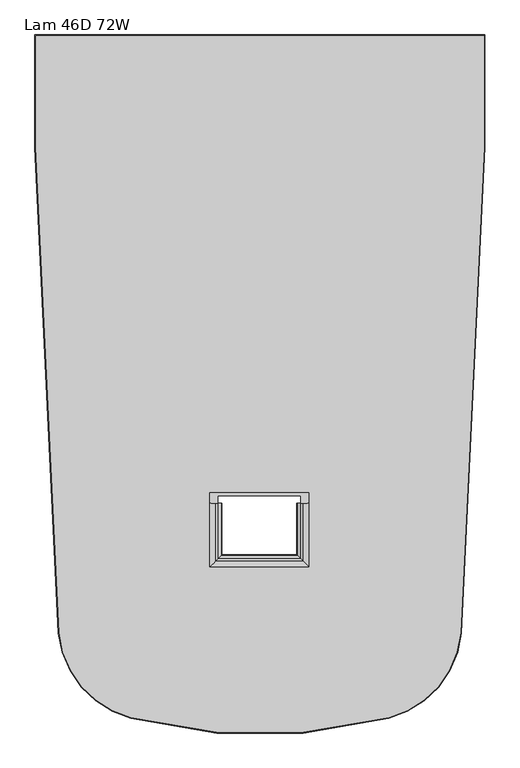
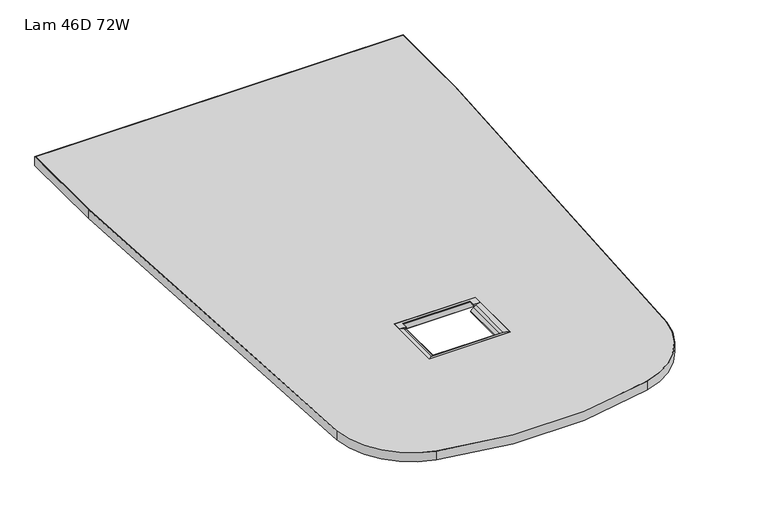
"""IFC4 building model written with IfcOpenShell, lengths in millimetres: furniture geometry, Lam 46D 72W."""

from ifc_helpers import new_model, si_unit, point, frame, frame_2d, origin, place, context, project, spatial, polyline, circle_curve, ellipse_curve, trimmed, segment, composite_curve, outline, extrude, source, transform, mapped, element, save
from ifc_brep_helpers import plane_surface, cylinder_surface, advanced_brep


def lam_46d_72w_70fdb2b8(model_context):
    return source(origin(), model_context, "Body", "SolidModel", [
        extrude(outline(composite_curve([segment(polyline([(1.6002, -318.9525749), (1.6002, -27.0002008), (1173.1498382, -27.0002008), (1173.1498382, -318.9525749)]), True, "CONTINUOUS"), segment(trimmed(circle_curve(frame_2d((-11935.6564961, -318.9525749)), 13108.8063343), [point((1173.1498382, -318.9525749))], [point((1111.7159181, -1586.5789369))], False, "CARTESIAN"), True, "CONTINUOUS"), segment(trimmed(circle_curve(frame_2d((858.9062794, -1562.0170441)), 254.0), [point((1111.7159181, -1586.5789369))], [point((923.5567542, -1807.6515615))], False, "CARTESIAN"), True, "CONTINUOUS"), segment(trimmed(circle_curve(frame_2d((587.3750009, -530.3547899)), 1320.7971888), [point((923.5567542, -1807.6515615))], [point((251.1932938, -1807.6515736))], False, "CARTESIAN"), True, "CONTINUOUS"), segment(trimmed(circle_curve(frame_2d((315.8437597, -1562.0170539)), 254.0), [point((251.1932938, -1807.6515736))], [point((63.034121, -1586.5789469))], False, "CARTESIAN"), True, "CONTINUOUS"), segment(trimmed(circle_curve(frame_2d((13110.4065343, -318.9525749)), 13108.8063343), [point((63.034121, -1586.5789469))], [point((1.6002, -318.9525749))], False, "CARTESIAN"), True, "CONTINUOUS")], self_intersect=False), holes=[polyline([(714.9846285, -1220.6224422), (456.6666023, -1220.6224422), (456.6666023, -1413.9164577), (714.9846285, -1413.9164577), (714.9846285, -1220.6224422)])]), frame((0.0, 0.0, 706.7296091), z_axis=(0.0, 0.0, 1.0), x_axis=(1.0, 0.0, 0.0)), (0.0, 0.0, 1.0), 29.8704151),
        advanced_brep(
        [(470.7201413, -1248.263633, 731.8032967), (477.7078689, -1248.263633, 727.114702), (487.0269874, -1248.263633, 718.3966108), (485.1167915, -1248.263633, 712.6533784), (479.8859922, -1248.263633, 711.1999758), (464.8668578, -1248.263633, 711.1999758), (465.9908152, -1248.263633, 732.1346718), (470.2148374, -1248.263633, 732.1346718), (456.6666023, -1248.263633, 736.6000242), (456.6666023, -1413.9164577, 736.6000242), (470.7201413, -1399.8629188, 731.8032967), (477.7078689, -1392.8751912, 727.114702), (487.0269874, -1383.5560727, 718.3966108), (485.1167915, -1385.4662686, 712.6533784), (479.8859922, -1390.6970678, 711.1999758), (714.9846285, -1413.9164577, 711.1999758), (456.6666023, -1413.9164577, 711.1999758), (456.6666023, -1220.6224422, 711.1999758), (714.9846285, -1220.6224422, 711.1999758), (691.7652386, -1390.6970678, 711.1999758), (691.7652386, -1248.263633, 711.1999758), (706.784373, -1248.263633, 711.1999758), (706.784373, -1225.6827366, 711.1999758), (464.8668578, -1225.6827366, 711.1999758), (456.6666023, -1220.6224422, 736.6000242), (714.9846285, -1413.9164577, 736.6000242), (700.9310895, -1399.8629188, 731.8032967), (693.9433619, -1392.8751912, 727.114702), (684.6242434, -1383.5560727, 718.3966108), (686.5344393, -1385.4662686, 712.6533784), (686.5344393, -1248.263633, 712.6533784), (684.6242434, -1248.263633, 718.3966108), (693.9433619, -1248.263633, 727.114702), (700.9310895, -1248.263633, 731.8032967), (701.4363935, -1248.263633, 732.1346718), (705.6604156, -1248.263633, 732.1346718), (714.9846285, -1248.263633, 736.6000242), (714.9846285, -1220.6224422, 736.6000242), (477.9275699, -1248.263633, 736.6000242), (477.9275699, -1248.263633, 732.1346718), (693.7236609, -1248.263633, 736.6000242), (693.7236609, -1248.263633, 732.1346718), (477.9275699, -1228.2296865, 736.6000242), (693.7236609, -1228.2296865, 736.6000242), (465.9908152, -1226.1764459, 732.1346718), (705.6604156, -1226.1764459, 732.1346718), (693.7236609, -1228.2296865, 732.1346718), (477.9275699, -1228.2296865, 732.1346718)],
        [
            (0, 1),
            (1, 2, circle_curve(frame((455.5454605, -1248.263633, 694.084576), z_axis=(0.0, 1.0, 0.0), x_axis=(1.0, 0.0, 0.0)), 39.7763946)),
            (2, 3, circle_curve(frame((484.140402, -1248.263633, 716.1674062), z_axis=(0.0, 1.0, 0.0), x_axis=(1.0, 0.0, 0.0)), 3.6471534)),
            (3, 4),
            (4, 5),
            (5, 6),
            (6, 7),
            (7, 0, circle_curve(frame((454.7518854, -1248.263633, 708.0047322), z_axis=(0.0, 1.0, 0.0), x_axis=(1.0, 0.0, 0.0)), 28.6593243)),
            (8, 9),
            (9, 10, ellipse_curve(frame((454.7518854, -1415.8311747, 708.0047322), z_axis=(-0.7071067811865475, 0.7071067811865475, 0.0), x_axis=(0.7071067811865474, 0.7071067811865476, 0.0)), 40.5304051, 28.6593243)),
            (10, 0),
            (7, 8, circle_curve(frame((454.7518854, -1248.263633, 708.0047322), z_axis=(0.0, -1.0, 0.0), x_axis=(1.0, 0.0, 0.0)), 28.6593243)),
            (10, 11),
            (11, 1),
            (11, 12, ellipse_curve(frame((455.5454605, -1415.0375996, 694.084576), z_axis=(-0.7071067811865475, 0.7071067811865475, 0.0), x_axis=(0.7071067811865474, 0.7071067811865476, 0.0)), 56.2523168, 39.7763946)),
            (12, 2),
            (12, 13, ellipse_curve(frame((484.140402, -1386.442658, 716.1674062), z_axis=(-0.7071067811865475, 0.7071067811865475, 0.0), x_axis=(0.7071067811865474, 0.7071067811865476, 0.0)), 5.1578538, 3.6471534)),
            (13, 3),
            (13, 14),
            (14, 4),
            (15, 16),
            (16, 17),
            (17, 18),
            (18, 15),
            (14, 19),
            (19, 20),
            (20, 21),
            (21, 22),
            (22, 23),
            (23, 5),
            (8, 24),
            (24, 17),
            (16, 9),
            (9, 25),
            (25, 26, ellipse_curve(frame((716.8993454, -1415.8311747, 708.0047322), z_axis=(-0.7071067811865475, -0.7071067811865475, 0.0), x_axis=(-0.7071067811865476, 0.7071067811865474, 0.0)), 40.5304051, 28.6593243)),
            (26, 10),
            (26, 27),
            (27, 11),
            (27, 28, ellipse_curve(frame((716.1057703, -1415.0375996, 694.084576), z_axis=(-0.7071067811865475, -0.7071067811865475, 0.0), x_axis=(-0.7071067811865476, 0.7071067811865474, 0.0)), 56.2523168, 39.7763946)),
            (28, 12),
            (28, 29, ellipse_curve(frame((687.5108288, -1386.442658, 716.1674062), z_axis=(-0.7071067811865475, -0.7071067811865475, 0.0), x_axis=(-0.7071067811865476, 0.7071067811865474, 0.0)), 5.1578538, 3.6471534)),
            (29, 13),
            (29, 19),
            (15, 25),
            (20, 30),
            (30, 31, circle_curve(frame((687.5108288, -1248.263633, 716.1674062), z_axis=(0.0, 1.0, 0.0), x_axis=(-1.0, 0.0, 0.0)), 3.6471534)),
            (31, 32, circle_curve(frame((716.1057703, -1248.263633, 694.084576), z_axis=(0.0, 1.0, 0.0), x_axis=(-1.0, 0.0, 0.0)), 39.7763946)),
            (32, 33),
            (33, 34, circle_curve(frame((716.8993454, -1248.263633, 708.0047322), z_axis=(0.0, 1.0, 0.0), x_axis=(-1.0, 0.0, 0.0)), 28.6593243)),
            (34, 35),
            (35, 21),
            (25, 36),
            (36, 34, circle_curve(frame((716.8993454, -1248.263633, 708.0047322), z_axis=(0.0, -1.0, 0.0), x_axis=(-1.0, 0.0, 0.0)), 28.6593243)),
            (33, 26),
            (32, 27),
            (31, 28),
            (30, 29),
            (18, 37),
            (37, 36),
            (38, 8),
            (7, 39),
            (39, 38),
            (40, 41),
            (41, 34),
            (36, 40),
            (24, 37),
            (38, 42),
            (42, 43),
            (43, 40),
            (44, 6),
            (23, 44),
            (44, 45),
            (45, 35),
            (41, 46),
            (46, 47),
            (47, 39),
            (47, 42),
            (43, 46),
            (45, 22),
        ],
        [
            plane_surface(frame((456.6666023, -1248.263633, 736.6000242), z_axis=(0.0, 1.0, 0.0), x_axis=(0.0, 0.0, 1.0))),
            cylinder_surface(frame((454.7518854, -1248.263633, 708.0047322), z_axis=(0.0, 1.0, 0.0), x_axis=(1.0, 0.0, 0.0)), 28.6593243),
            plane_surface(frame((470.7201413, -1248.263633, 731.8032967), z_axis=(0.5571748915427094, 0.0, 0.8303951711290054), x_axis=(0.0, -1.0, 0.0))),
            cylinder_surface(frame((455.5454605, -1248.263633, 694.084576), z_axis=(0.0, 1.0, 0.0), x_axis=(1.0, 0.0, 0.0)), 39.7763946),
            cylinder_surface(frame((484.140402, -1248.263633, 716.1674062), z_axis=(0.0, 1.0, 0.0), x_axis=(1.0, 0.0, 0.0)), 3.6471534),
            plane_surface(frame((485.1167915, -1248.263633, 712.6533784), z_axis=(0.2677127531531875, 0.0, -0.9634987710418423), x_axis=(0.0, -1.0, 0.0))),
            plane_surface(frame((479.8859922, -1248.263633, 711.1999758), z_axis=(0.0, 0.0, -1.0), x_axis=(0.0, -1.0, 0.0))),
            plane_surface(frame((456.6666023, -1248.263633, 711.1999758), z_axis=(-1.0, 0.0, 0.0), x_axis=(0.0, -1.0, 0.0))),
            cylinder_surface(frame((456.6666023, -1415.8311747, 708.0047322), z_axis=(-1.0, 0.0, 0.0), x_axis=(0.0, 1.0, 0.0)), 28.6593243),
            plane_surface(frame((470.7201413, -1399.8629188, 731.8032967), z_axis=(0.0, 0.5571748915427067, 0.8303951711290072), x_axis=(1.0, 0.0, 0.0))),
            cylinder_surface(frame((456.6666023, -1415.0375996, 694.084576), z_axis=(-1.0, 0.0, 0.0), x_axis=(0.0, 1.0, 0.0)), 39.7763946),
            cylinder_surface(frame((456.6666023, -1386.442658, 716.1674062), z_axis=(-1.0, 0.0, 0.0), x_axis=(0.0, 1.0, 0.0)), 3.6471534),
            plane_surface(frame((485.1167915, -1385.4662686, 712.6533784), z_axis=(0.0, 0.2677127531531906, -0.9634987710418416), x_axis=(1.0, 0.0, 0.0))),
            plane_surface(frame((456.6666023, -1413.9164577, 711.1999758), z_axis=(0.0, -1.0, 0.0), x_axis=(1.0, 0.0, 0.0))),
            plane_surface(frame((714.9846285, -1248.263633, 736.6000242), z_axis=(0.0, 1.0, 0.0), x_axis=(0.0, 0.0, 1.0))),
            cylinder_surface(frame((716.8993454, -1413.9164577, 708.0047322), z_axis=(0.0, -1.0, 0.0), x_axis=(-1.0, 0.0, 0.0)), 28.6593243),
            plane_surface(frame((700.9310895, -1399.8629188, 731.8032967), z_axis=(-0.557174891542704, 0.0, 0.830395171129009), x_axis=(0.0, 1.0, 0.0))),
            cylinder_surface(frame((716.1057703, -1413.9164577, 694.084576), z_axis=(0.0, -1.0, 0.0), x_axis=(-1.0, 0.0, 0.0)), 39.7763946),
            cylinder_surface(frame((687.5108288, -1413.9164577, 716.1674062), z_axis=(0.0, -1.0, 0.0), x_axis=(-1.0, 0.0, 0.0)), 3.6471534),
            plane_surface(frame((686.5344393, -1385.4662686, 712.6533784), z_axis=(-0.26771275315319365, 0.0, -0.9634987710418407), x_axis=(0.0, 1.0, 0.0))),
            plane_surface(frame((714.9846285, -1413.9164577, 711.1999758), z_axis=(1.0, 0.0, 0.0), x_axis=(0.0, 1.0, 0.0))),
            plane_surface(frame((456.6666023, -1248.263633, 736.6000242), z_axis=(0.0, -1.0, 0.0), x_axis=(0.0, 0.0, 1.0))),
            plane_surface(frame((456.6666023, -1220.6224422, 736.6000242), z_axis=(0.0, 1.0, 0.0), x_axis=(0.0, 0.0, 1.0))),
            plane_surface(frame((477.9275699, -1248.263633, 736.6000242), z_axis=(0.0, 0.0, 1.0), x_axis=(0.0, 1.0, 0.0))),
            plane_surface(frame((464.8668578, -1248.263633, 711.1999758), z_axis=(0.9985618681925444, 0.0, -0.05361152293878373), x_axis=(0.0, 1.0, 0.0))),
            plane_surface(frame((465.9908152, -1248.263633, 732.1346718), z_axis=(0.0, 0.0, -1.0), x_axis=(0.0, 1.0, 0.0))),
            plane_surface(frame((477.9275699, -1248.263633, 732.1346718), z_axis=(1.0, 0.0, 0.0), x_axis=(0.0, 1.0, 0.0))),
            plane_surface(frame((693.7236609, -1248.263633, 736.6000242), z_axis=(-1.0, 0.0, 0.0), x_axis=(0.0, 1.0, 0.0))),
            plane_surface(frame((705.6604156, -1248.263633, 732.1346718), z_axis=(-0.9985618681925444, 0.0, -0.05361152293878373), x_axis=(0.0, 1.0, 0.0))),
            plane_surface(frame((456.6666023, -1225.6827366, 711.1999758), z_axis=(0.0, -0.9997220297886921, -0.02357675030994835), x_axis=(1.0, 0.0, 0.0))),
            plane_surface(frame((456.6666023, -1228.2296865, 732.1346718), z_axis=(0.0, -1.0, 0.0), x_axis=(1.0, 0.0, 0.0))),
        ],
        [
            (0, [[1, 2, 3, 4, 5, 6, 7, 8]]),
            (1, [[9, 10, 11, -8, 12]]),
            (2, [[-1, -11, 13, 14]]),
            (3, [[-2, -14, 15, 16]]),
            (4, [[-3, -16, 17, 18]]),
            (5, [[-4, -18, 19, 20]]),
            (6, [[21, 22, 23, 24], [-20, 25, 26, 27, 28, 29, 30, -5]]),
            (7, [[-9, 31, 32, -22, 33]]),
            (8, [[-10, 34, 35, 36]]),
            (9, [[-13, -36, 37, 38]]),
            (10, [[-15, -38, 39, 40]]),
            (11, [[-17, -40, 41, 42]]),
            (12, [[-19, -42, 43, -25]]),
            (13, [[-21, 44, -34, -33]]),
            (14, [[45, 46, 47, 48, 49, 50, 51, -27]]),
            (15, [[-35, 52, 53, -49, 54]]),
            (16, [[-37, -54, -48, 55]]),
            (17, [[-39, -55, -47, 56]]),
            (18, [[-41, -56, -46, 57]]),
            (19, [[-26, -43, -57, -45]]),
            (20, [[-44, -24, 58, 59, -52]]),
            (21, [[60, -12, 61, 62]]),
            (21, [[63, 64, -53, 65]]),
            (22, [[-23, -32, 66, -58]]),
            (23, [[-60, 67, 68, 69, -65, -59, -66, -31]]),
            (24, [[70, -6, -30, 71]]),
            (25, [[-61, -7, -70, 72, 73, -50, -64, 74, 75, 76]]),
            (26, [[-62, -76, 77, -67]]),
            (27, [[-63, -69, 78, -74]]),
            (28, [[-51, -73, 79, -28]]),
            (29, [[-29, -79, -72, -71]]),
            (30, [[-68, -77, -75, -78]]),
        ],
    ),
        extrude(outline(composite_curve([segment(polyline([(0.0127, -25.4127008), (1174.7373382, -25.4127008), (1174.7373382, -318.9525749)]), True, "CONTINUOUS"), segment(trimmed(circle_curve(frame_2d((-11935.6564961, -318.9525749)), 13110.3938343), [point((1174.7373382, -318.9525749))], [point((1113.2959784, -1586.7324488))], False, "CARTESIAN"), True, "CONTINUOUS"), segment(trimmed(circle_curve(frame_2d((858.9062794, -1562.0170441)), 255.5875), [point((1113.2959784, -1586.7324488))], [point((923.9608197, -1809.1867772))], False, "CARTESIAN"), True, "CONTINUOUS"), segment(trimmed(circle_curve(frame_2d((587.3750009, -530.3547899)), 1322.3846888), [point((923.9608197, -1809.1867772))], [point((250.7892284, -1809.1867894))], False, "CARTESIAN"), True, "CONTINUOUS"), segment(trimmed(circle_curve(frame_2d((315.8437597, -1562.0170539)), 255.5875), [point((250.7892284, -1809.1867894))], [point((61.4540608, -1586.7324588))], False, "CARTESIAN"), True, "CONTINUOUS"), segment(trimmed(circle_curve(frame_2d((13110.4065343, -318.9525749)), 13110.3938343), [point((61.4540608, -1586.7324588))], [point((0.0127, -318.9525749))], False, "CARTESIAN"), True, "CONTINUOUS"), segment(polyline([(0.0127, -318.9525749), (0.0127, -25.4127008)]), True, "CONTINUOUS")], self_intersect=False), holes=[composite_curve([segment(trimmed(circle_curve(frame_2d((-11935.6564961, -318.9525749)), 13108.8063343), [point((1111.7159181, -1586.5789369))], [point((1173.1498382, -318.9525749))], True, "CARTESIAN"), True, "CONTINUOUS"), segment(polyline([(1173.1498382, -318.9525749), (1173.1498382, -27.0002008), (1.6002, -27.0002008), (1.6002, -318.9525749)]), True, "CONTINUOUS"), segment(trimmed(circle_curve(frame_2d((13110.4065343, -318.9525749)), 13108.8063343), [point((1.6002, -318.9525749))], [point((63.034121, -1586.5789469))], True, "CARTESIAN"), True, "CONTINUOUS"), segment(trimmed(circle_curve(frame_2d((315.8437597, -1562.0170539)), 254.0), [point((63.034121, -1586.5789469))], [point((251.1932938, -1807.6515736))], True, "CARTESIAN"), True, "CONTINUOUS"), segment(trimmed(circle_curve(frame_2d((587.3750009, -530.3547899)), 1320.7971888), [point((251.1932938, -1807.6515736))], [point((923.5567542, -1807.6515615))], True, "CARTESIAN"), True, "CONTINUOUS"), segment(trimmed(circle_curve(frame_2d((858.9062794, -1562.0170441)), 254.0), [point((923.5567542, -1807.6515615))], [point((1111.7159181, -1586.5789369))], True, "CARTESIAN"), True, "CONTINUOUS")], self_intersect=False)]), frame((0.0, 0.0, 707.0090242), z_axis=(0.0, 0.0, 1.0), x_axis=(1.0, 0.0, 0.0)), (0.0, 0.0, 1.0), 29.591),
    ])


if __name__ == "__main__":
    model = new_model("IFC4")
    model_context = context("Model", 3, world=origin())
    ifc_project = project(units=[si_unit("LENGTHUNIT", "METRE", prefix="MILLI")], contexts=[model_context])
    site = spatial("IfcSite", under=ifc_project)
    building = spatial("IfcBuilding", under=site)
    placement = place(None, origin())
    lam_46d_72w_shape = lam_46d_72w_70fdb2b8(model_context)
    element("IfcFurniture", 1, ObjectType="Lam 46D 72W", at=placement, inside=building, context=model_context, shape_type="MappedRepresentation", body=[
        mapped(lam_46d_72w_shape, transform((0.0, 0.0, 0.0), x_axis=(1.0, 0.0, 0.0), y_axis=(0.0, 1.0, 0.0), z_axis=(0.0, 0.0, 1.0))),
    ])
    save(model, "model.ifc")
